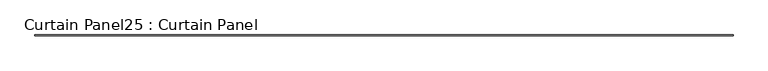
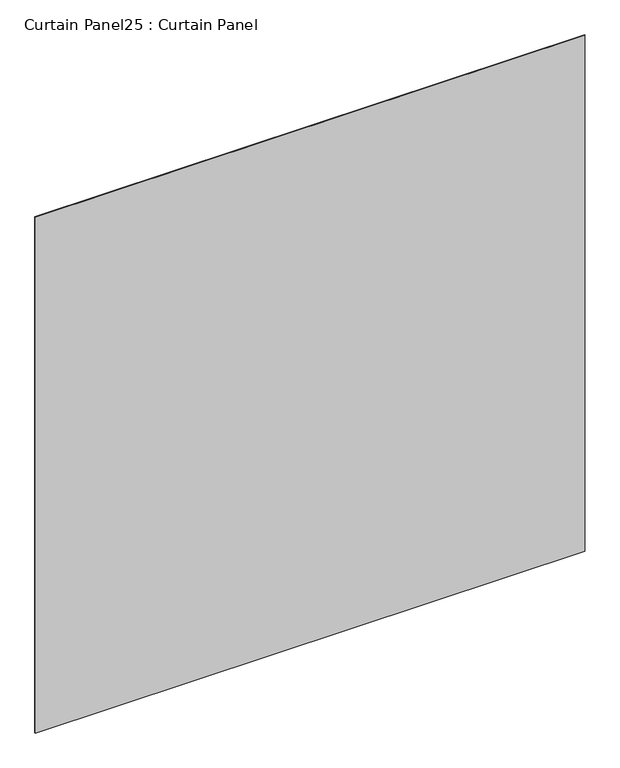
"""IFC4 building model written with IfcOpenShell, lengths in millimetres: plate geometry, Curtain Panel25 : Curtain Panel."""

from ifc_helpers import new_model, si_unit, frame, origin, place, context, project, spatial, polyline, outline, extrude, source, transform, mapped, element, save


def curtain_panel25_curtain_panel_3a1df4fd(model_context):
    return source(origin(), model_context, "Body", "SweptSolid", [
        extrude(outline(polyline([(128545.5761004, 2928.7846955), (122497.2011004, 2928.7846955), (122497.2011004, 2935.1346955), (128545.5761004, 2935.1346955), (128545.5761004, 2928.7846955)])), frame((0.0, 0.0, 7253.2983791), z_axis=(0.0, 0.0, 1.0), x_axis=(1.0, 0.0, 0.0)), (0.0, 0.0, 1.0), 6000.75),
    ])


if __name__ == "__main__":
    model = new_model("IFC4")
    model_context = context("Model", 3, world=origin())
    ifc_project = project(units=[si_unit("LENGTHUNIT", "METRE", prefix="MILLI")], contexts=[model_context])
    site = spatial("IfcSite", under=ifc_project)
    building = spatial("IfcBuilding", under=site)
    placement = place(None, origin())
    curtain_panel25_curtain_panel_shape = curtain_panel25_curtain_panel_3a1df4fd(model_context)
    element("IfcPlate", 1, ObjectType="Curtain Panel25 : Curtain Panel", at=placement, inside=building, context=model_context, shape_type="MappedRepresentation", body=[
        mapped(curtain_panel25_curtain_panel_shape, transform((0.0, 0.0, 0.0), x_axis=(1.0, 0.0, 0.0), y_axis=(0.0, 1.0, 0.0), z_axis=(0.0, 0.0, 1.0))),
    ])
    save(model, "model.ifc")
